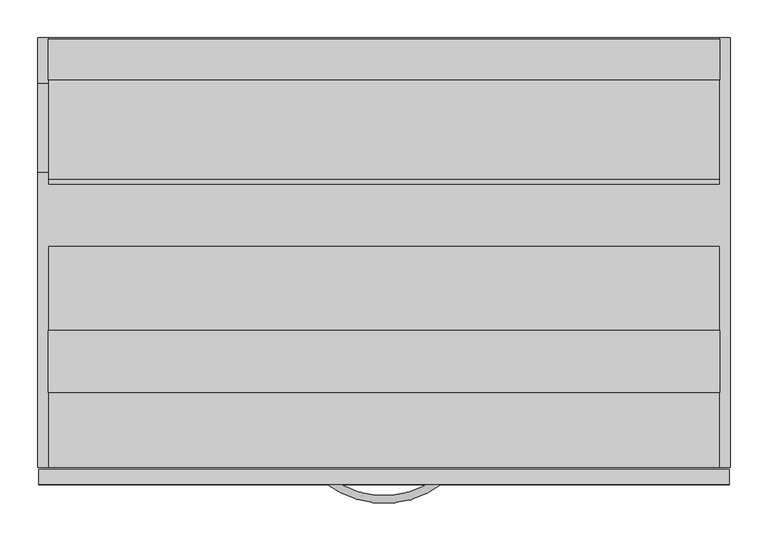
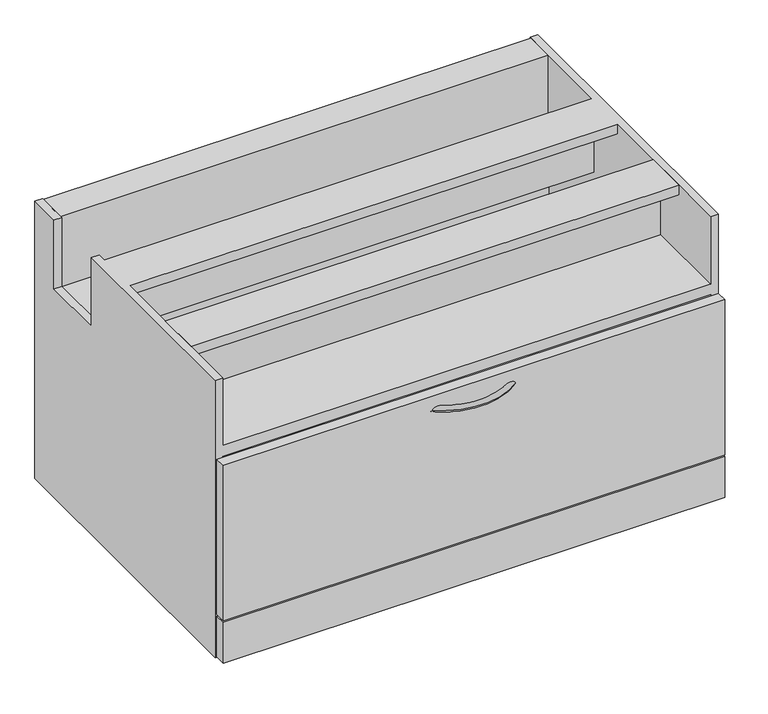
"""IFC4 building model written with IfcOpenShell, lengths in millimetres: furniture geometry."""

from ifc_helpers import new_model, si_unit, point, frame, frame_2d, origin, origin_with_axes, place, context, project, spatial, polyline, circle_curve, ellipse_curve, trimmed, segment, composite_curve, outline, extrude, faceted_brep, source, transform, mapped, element, save
from ifc_brep_helpers import plane_surface, revolved_surface, advanced_brep


def furniture_5bb3761f(model_context):
    return source(origin(), model_context, "Body", "SolidModel", [
        extrude(outline(polyline([(884.1363219, 203.45654), (884.1363219, 122.0754609), (-2.6276215, 122.0754609), (-2.6276215, 203.45654), (884.1363219, 203.45654)])), frame((0.0, 0.0, 527.5326014), z_axis=(0.0, 0.0, 1.0), x_axis=(1.0, 0.0, 0.0)), (0.0, 0.0, 1.0), 18.5673986),
        advanced_brep(
        [(511.2455709, 9.0357884, 368.2790769), (517.3819579, 0.938236, 368.2790769), (369.5313148, 9.5942624, 368.2790769), (363.331297, 1.5453259, 368.2790769)],
        [
            (0, 1, circle_curve(frame((514.3137644, 4.9870122, 368.2790769), z_axis=(0.797003184649824, 0.6039751018527489, 0.0), x_axis=(0.6039751018527489, -0.797003184649824, 0.0)), 5.08)),
            (1, 0, circle_curve(frame((514.3137644, 4.9870122, 368.2790769), z_axis=(0.797003184649824, 0.6039751018527489, 0.0), x_axis=(0.6039751018527489, -0.797003184649824, 0.0)), 5.08)),
            (2, 3, circle_curve(frame((366.4313059, 5.5697942, 368.2790769), z_axis=(-0.7922181580746404, 0.6102379781829579, 0.0), x_axis=(-0.6102379781829579, -0.7922181580746404, 0.0)), 5.08)),
            (3, 2, circle_curve(frame((366.4313059, 5.5697942, 368.2790769), z_axis=(-0.7922181580746404, 0.6102379781829579, 0.0), x_axis=(-0.6102379781829579, -0.7922181580746404, 0.0)), 5.08)),
            (3, 1, circle_curve(frame((440.7539219, 102.056293, 368.2790769), z_axis=(0.0, 0.0, 1.0), x_axis=(0.6039751018527488, -0.7970031846498241, 0.0)), 126.8728393)),
            (0, 2, circle_curve(frame((440.7539219, 102.056293, 368.2790769), z_axis=(0.0, 0.0, -1.0), x_axis=(0.6039751018527488, -0.7970031846498241, 0.0)), 116.7128393)),
        ],
        [
            plane_surface(frame((514.3608606, 4.9248642, 670.1234375), z_axis=(0.7970031846498242, 0.6039751018527488, 0.0), x_axis=(0.0, 0.0, 1.0))),
            plane_surface(frame((366.3837214, 5.5080193, 670.1234375), z_axis=(-0.7922181580746404, 0.610237978182958, 0.0), x_axis=(0.0, 0.0, 1.0))),
            revolved_surface(trimmed(ellipse_curve(frame((514.3137644, 4.9870122, 368.2790769), z_axis=(0.797003184649824, 0.6039751018527489, 0.0), x_axis=(0.6039751018527489, -0.797003184649824, 0.0)), 5.08, 5.08), [point((511.2455709, 9.0357884, 368.2790769))], [point((517.3819579, 0.938236, 368.2790769))], True, "CARTESIAN"), (440.7539219, 102.056293, 670.1234375), (0.0, 0.0, -1.0)),
            revolved_surface(trimmed(ellipse_curve(frame((514.3137644, 4.9870122, 368.2790769), z_axis=(0.797003184649824, 0.6039751018527489, 0.0), x_axis=(0.6039751018527489, -0.797003184649824, 0.0)), 5.08, 5.08), [point((517.3819579, 0.938236, 368.2790769))], [point((511.2455709, 9.0357884, 368.2790769))], True, "CARTESIAN"), (440.7539219, 102.056293, 670.1234375), (0.0, 0.0, -1.0)),
        ],
        [
            (0, [[1, 2]]),
            (1, [[3, 4]]),
            (2, [[5, -1, 6, -4]]),
            (3, [[-6, -2, -5, -3]]),
        ],
    ),
        extrude(outline(polyline([(896.4562901, -5.41e-05), (-14.9477997, -5.41e-05), (-14.9477997, 20.1676), (896.4562901, 20.1676), (896.4562901, -5.41e-05)])), frame((0.0, 0.0, 96.5962023), z_axis=(0.0, 0.0, 1.0), x_axis=(1.0, 0.0, 0.0)), (0.0, 0.0, 1.0), 298.8056075),
        extrude(outline(polyline([(589.0244768, 534.6110937), (587.449682, 534.6110937), (587.449682, 544.1360838), (536.6496941, 544.1360838), (536.6496941, 407.941272), (390.5996699, 407.941272), (390.5996699, 480.6360816), (403.2996941, 480.6360816), (403.2996941, 479.0612867), (392.1744647, 479.0612867), (392.1744647, 409.516072), (535.074876, 409.516072), (535.074876, 545.7108838), (589.0244768, 545.7108838), (589.0244768, 534.6110937)])), frame((-2.6276215, 0.0, 0.0), z_axis=(1.0, 0.0, 0.0), x_axis=(0.0, 1.0, 0.0)), (0.0, 0.0, 1.0), 886.7639434),
        faceted_brep([(-2.6276215, 590.55, 546.1), (-16.4460781, 590.55, 546.1), (-16.4460781, 530.5501116, 546.1), (-2.6276215, 530.5501116, 546.1), (-16.4460781, 22.606, 546.1), (-2.6276215, 22.606, 546.1), (-2.6276215, 315.23178, 546.1), (884.1363219, 315.23178, 546.1), (884.1363219, 22.606, 546.1), (897.9539219, 22.606, 546.1), (897.9539219, 590.55, 546.1), (884.1363219, 590.55, 546.1), (884.1363219, 396.6134405, 546.1), (-2.6276215, 396.6134405, 546.1), (-2.6276215, 412.5501195, 546.1), (-16.4460781, 412.5501195, 546.1), (-16.4460781, 22.606, 12.7), (-16.4460781, 590.55, 12.7), (897.9539219, 590.55, 12.7), (897.9539219, 22.606, 12.7), (-2.6276215, 590.55, 357.924846), (884.1363219, 590.55, 357.924846), (884.1363219, 590.55, 276.5249817), (-2.6276215, 590.55, 276.5249817), (-2.6276215, 590.55, 94.6988163), (884.1363219, 590.55, 94.6988163), (-16.4460781, 412.5501195, 413.7659869), (-16.4460781, 530.5501116, 413.7659869), (884.1363219, 22.606, 415.7014792), (-2.6276215, 22.606, 415.7014792), (884.1363219, 22.606, 94.6988163), (-2.6276215, 22.606, 94.6988163), (-2.6276215, 22.606, 395.4018099), (884.1363219, 22.606, 395.4018099), (-2.6276215, 22.606, 73.5075998), (884.1363219, 22.606, 73.5075998), (884.1363219, 22.606, 32.8675902), (-2.6276215, 22.606, 32.8675902), (-2.6276215, 179.7303948, 415.7014792), (-2.6276215, 179.7303948, 491.4734652), (-2.6276215, 199.8979864, 491.4734652), (-2.6276215, 199.8979864, 395.4018099), (-2.6276215, 530.5501116, 94.6988163), (-2.6276215, 530.5501116, 390.8454182), (-2.6276215, 540.1234405, 390.8454182), (-2.6276215, 540.1234405, 94.6988163), (-2.6276215, 570.4586043, 276.5249817), (-2.6276215, 570.4586043, 357.924846), (-2.6276215, 530.5501116, 413.7659869), (-2.6276215, 412.5501195, 413.7659869), (-2.6276215, 396.6134405, 527.5326014), (-2.6276215, 315.23178, 527.5326014), (-2.6276215, 570.4586043, 32.8675902), (-2.6276215, 570.4586043, 73.5075998), (884.1363219, 315.23178, 527.5326014), (884.1363219, 396.6134405, 527.5326014), (884.1363219, 570.4586043, 357.924846), (884.1363219, 570.4586043, 276.5249817), (884.1363219, 540.1234405, 94.6988163), (884.1363219, 540.1234405, 390.8454182), (884.1363219, 530.5501116, 390.8454182), (884.1363219, 530.5501116, 94.6988163), (884.1363219, 199.8979864, 395.4018099), (884.1363219, 199.8979864, 491.4734652), (884.1363219, 179.7303948, 491.4734652), (884.1363219, 179.7303948, 415.7014792), (884.1363219, 570.4586043, 73.5075998), (884.1363219, 570.4586043, 32.8675902)], [[[0, 1, 2, 3]], [[4, 5, 6, 7, 8, 9, 10, 11, 12, 13, 14, 15]], [[16, 17, 18, 19]], [[1, 0, 20, 21, 11, 10, 18, 17], [22, 23, 24, 25]], [[17, 16, 4, 15, 26, 27, 2, 1]], [[5, 4, 16, 19, 9, 8, 28, 29], [30, 31, 32, 33], [34, 35, 36, 37]], [[6, 5, 29, 38, 39, 40, 41, 32, 31, 42, 43, 44, 45, 24, 23, 46, 47, 20, 0, 3, 48, 49, 14, 13, 50, 51]], [[34, 37, 52, 53]], [[8, 7, 54, 55, 12, 11, 21, 56, 57, 22, 25, 58, 59, 60, 61, 30, 33, 62, 63, 64, 65, 28]], [[36, 35, 66, 67]], [[10, 9, 19, 18]], [[56, 47, 46, 57]], [[57, 46, 23, 22]], [[47, 56, 21, 20]], [[25, 24, 45, 58]], [[58, 45, 44, 59]], [[59, 44, 43, 60]], [[60, 43, 42, 61]], [[61, 42, 31, 30]], [[35, 34, 53, 66]], [[66, 53, 52, 67]], [[67, 52, 37, 36]], [[7, 6, 51, 54]], [[54, 51, 50, 55]], [[55, 50, 13, 12]], [[64, 39, 38, 65]], [[65, 38, 29, 28]], [[33, 32, 41, 62]], [[62, 41, 40, 63]], [[39, 64, 63, 40]], [[49, 26, 15, 14]], [[26, 49, 48, 27]], [[27, 48, 3, 2]]]),
        faceted_brep([(896.4562901, -5.41e-05, 93.5990016), (-14.9477997, -5.41e-05, 93.5990016), (-14.9477997, -5.41e-05, 15.1892005), (896.4562901, -5.41e-05, 15.1892005), (896.4562901, 20.1673196, 93.5990016), (896.4562901, 20.1673196, 15.1892005), (-14.9477997, 20.1673196, 15.1892005), (-14.9477997, 20.1673196, 93.5990016)], [[[0, 1, 2, 3]], [[4, 5, 6, 7]], [[1, 0, 4, 7]], [[2, 1, 7, 6]], [[3, 2, 6, 5]], [[0, 3, 5, 4]]]),
        extrude(outline(composite_curve([segment(trimmed(circle_curve(frame_2d((19.0968082, 555.2063789)), 14.478), [point((4.6188082, 555.2063789))], [point((33.5748082, 555.2063789))], False, "CARTESIAN"), True, "CONTINUOUS"), segment(trimmed(circle_curve(frame_2d((19.0968082, 555.2063789)), 14.478), [point((33.5748082, 555.2063789))], [point((4.6188082, 555.2063789))], False, "CARTESIAN"), True, "CONTINUOUS")], self_intersect=False)), origin_with_axes(), (0.0, 0.0, 1.0), 12.7),
        extrude(outline(composite_curve([segment(trimmed(circle_curve(frame_2d((861.8419262, 555.2063789)), 14.478), [point((847.3639262, 555.2063789))], [point((876.3199262, 555.2063789))], False, "CARTESIAN"), True, "CONTINUOUS"), segment(trimmed(circle_curve(frame_2d((861.8419262, 555.2063789)), 14.478), [point((876.3199262, 555.2063789))], [point((847.3639262, 555.2063789))], False, "CARTESIAN"), True, "CONTINUOUS")], self_intersect=False)), origin_with_axes(), (0.0, 0.0, 1.0), 12.7),
        extrude(outline(composite_curve([segment(trimmed(circle_curve(frame_2d((19.0968082, 47.520502)), 14.478), [point((4.6188082, 47.520502))], [point((33.5748082, 47.520502))], False, "CARTESIAN"), True, "CONTINUOUS"), segment(trimmed(circle_curve(frame_2d((19.0968082, 47.520502)), 14.478), [point((33.5748082, 47.520502))], [point((4.6188082, 47.520502))], False, "CARTESIAN"), True, "CONTINUOUS")], self_intersect=False)), origin_with_axes(), (0.0, 0.0, 1.0), 12.7),
        extrude(outline(composite_curve([segment(trimmed(circle_curve(frame_2d((861.8419262, 47.520502)), 14.478), [point((847.3639262, 47.520502))], [point((876.3199262, 47.520502))], False, "CARTESIAN"), True, "CONTINUOUS"), segment(trimmed(circle_curve(frame_2d((861.8419262, 47.520502)), 14.478), [point((876.3199262, 47.520502))], [point((847.3639262, 47.520502))], False, "CARTESIAN"), True, "CONTINUOUS")], self_intersect=False)), origin_with_axes(), (0.0, 0.0, 1.0), 12.7),
    ])


if __name__ == "__main__":
    model = new_model("IFC4")
    model_context = context("Model", 3, world=origin())
    ifc_project = project(units=[si_unit("LENGTHUNIT", "METRE", prefix="MILLI")], contexts=[model_context])
    site = spatial("IfcSite", under=ifc_project)
    building = spatial("IfcBuilding", under=site)
    placement = place(None, origin())
    furniture_shape = furniture_5bb3761f(model_context)
    element("IfcFurniture", 1, at=placement, inside=building, context=model_context, shape_type="MappedRepresentation", body=[
        mapped(furniture_shape, transform((0.0, 0.0, 0.0), x_axis=(1.0, 0.0, 0.0), y_axis=(0.0, 1.0, 0.0), z_axis=(0.0, 0.0, 1.0))),
    ])
    save(model, "model.ifc")
